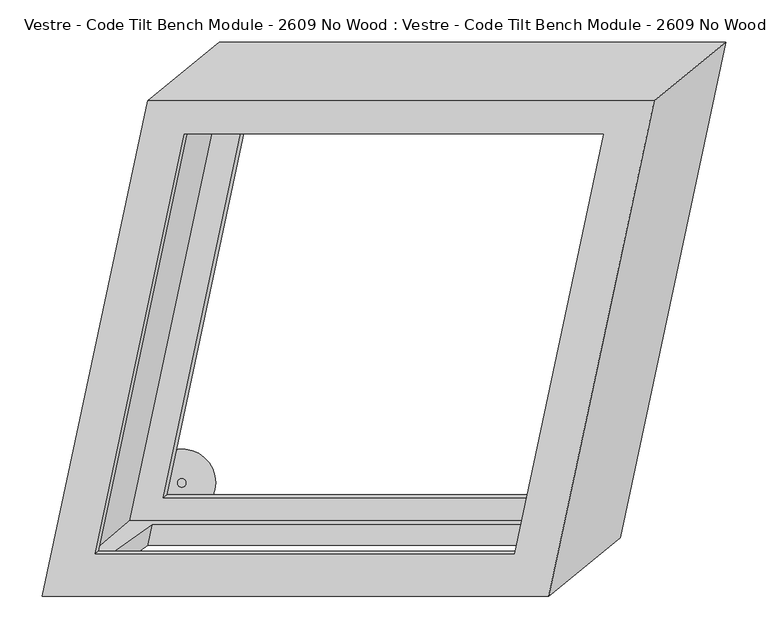
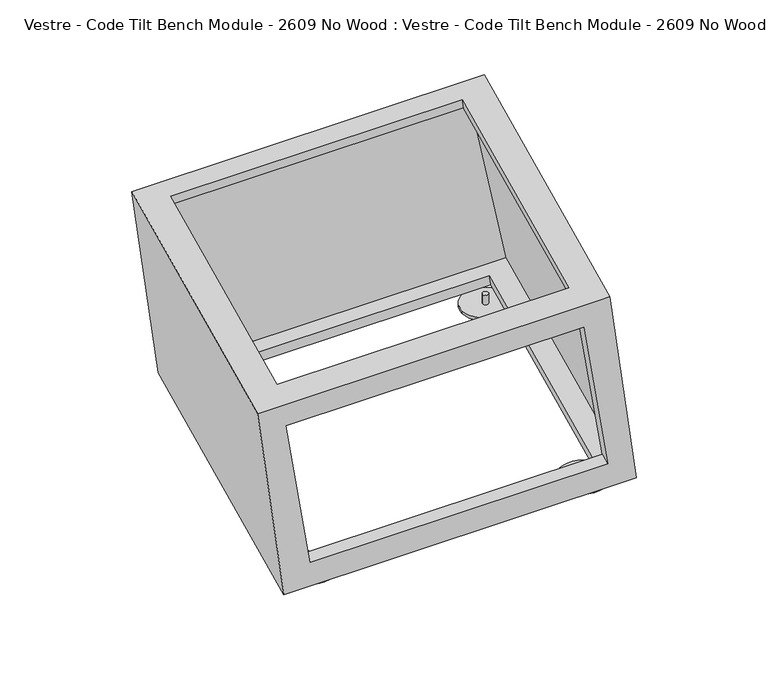
"""IFC4 building model written with IfcOpenShell, lengths in millimetres: furniture geometry, Vestre - Code Tilt Bench Module - 2609 No Wood : Vestre - Code Tilt Bench Module - 2609 No Wood."""

from ifc_helpers import new_model, si_unit, point, frame, frame_2d, origin, origin_with_axes, place, context, project, spatial, circle_curve, trimmed, segment, composite_curve, outline, extrude, faceted_brep, source, transform, mapped, element, save


def vestre_code_tilt_bench_module_2609_no_wood_vestre_code_tilt_8cba3ab6(model_context):
    return source(origin(), model_context, "Body", "SolidModel", [
        extrude(outline(composite_curve([segment(trimmed(circle_curve(frame_2d((-282.0328456, -228.5027868)), 5.0), [point((-287.0328456, -228.5027868))], [point((-277.0328456, -228.5027868))], False, "CARTESIAN"), True, "CONTINUOUS"), segment(trimmed(circle_curve(frame_2d((-282.0328456, -228.5027868)), 5.0), [point((-277.0328456, -228.5027868))], [point((-287.0328456, -228.5027868))], False, "CARTESIAN"), True, "CONTINUOUS")], self_intersect=False)), frame((0.0, 0.0, 5.0), z_axis=(0.0, 0.0, 1.0), x_axis=(1.0, 0.0, 0.0)), (0.0, 0.0, 1.0), 16.8677277),
        extrude(outline(composite_curve([segment(trimmed(circle_curve(frame_2d((184.9661106, -228.5027868)), 5.0), [point((179.9661106, -228.5027868))], [point((189.9661106, -228.5027868))], False, "CARTESIAN"), True, "CONTINUOUS"), segment(trimmed(circle_curve(frame_2d((184.9661106, -228.5027868)), 5.0), [point((189.9661106, -228.5027868))], [point((179.9661106, -228.5027868))], False, "CARTESIAN"), True, "CONTINUOUS")], self_intersect=False)), frame((0.0, 0.0, 5.0), z_axis=(0.0, 0.0, 1.0), x_axis=(1.0, 0.0, 0.0)), (0.0, 0.0, 1.0), 16.8677277),
        extrude(outline(composite_curve([segment(trimmed(circle_curve(frame_2d((282.1707135, 228.4385142)), 5.0), [point((277.1707135, 228.4385142))], [point((287.1707135, 228.4385142))], False, "CARTESIAN"), True, "CONTINUOUS"), segment(trimmed(circle_curve(frame_2d((282.1707135, 228.4385142)), 5.0), [point((287.1707135, 228.4385142))], [point((277.1707135, 228.4385142))], False, "CARTESIAN"), True, "CONTINUOUS")], self_intersect=False)), frame((0.0, 0.0, 5.0), z_axis=(0.0, 0.0, 1.0), x_axis=(1.0, 0.0, 0.0)), (0.0, 0.0, 1.0), 16.8677277),
        extrude(outline(composite_curve([segment(trimmed(circle_curve(frame_2d((-184.8930564, 228.4385142)), 5.0), [point((-189.8930564, 228.4385142))], [point((-179.8930564, 228.4385142))], False, "CARTESIAN"), True, "CONTINUOUS"), segment(trimmed(circle_curve(frame_2d((-184.8930564, 228.4385142)), 5.0), [point((-179.8930564, 228.4385142))], [point((-189.8930564, 228.4385142))], False, "CARTESIAN"), True, "CONTINUOUS")], self_intersect=False)), frame((0.0, 0.0, 5.0), z_axis=(0.0, 0.0, 1.0), x_axis=(1.0, 0.0, 0.0)), (0.0, 0.0, 1.0), 16.8677277),
        faceted_brep([(152.6779909, -362.9784336, 419.8134138), (277.4250054, 223.9101268, 419.8134138), (-322.5749946, 223.9101268, 419.8134138), (-447.3220091, -362.9784336, 419.8134138), (111.5950883, -312.2208839, 419.8134138), (-384.6614061, -312.2208839, 419.8134138), (-279.0561813, 184.6126361, 419.8134138), (217.200313, 184.6126361, 419.8134138), (237.6264928, -293.4442802, 21.8677277), (-362.3735072, -293.4442802, 21.8677277), (-237.6264928, 293.4442802, 21.8677277), (362.3735072, 293.4442802, 21.8677277), (-299.7129042, -242.6867305, 21.8677277), (196.5435902, -242.6867305, 21.8677277), (300.1061699, 244.5369002, 21.8677277), (-196.1503245, 244.5369002, 21.8677277), (-393.776434, -355.103719, 374.7462265), (112.2821604, -355.103719, 374.7462265), (183.8977101, -302.1809189, 71.8677277), (-322.1608844, -302.1809189, 71.8677277), (115.1443609, -309.3156453, 403.1866612), (-381.1121334, -309.3156453, 403.1866612), (-303.7973866, -246.0300623, 41.0016985), (192.4591078, -246.0300623, 41.0016985), (-275.5922534, 187.1163595, 403.1866612), (-200.1365927, 241.6556298, 41.0016985), (220.664241, 187.1163595, 403.1866612), (296.1199017, 241.6556298, 41.0016985), (127.6313712, -332.9707916, 403.1866612), (-414.2091441, -332.9707916, 403.1866612), (-298.365818, 212.0292084, 403.1866612), (243.4746973, 212.0292084, 403.1866612), (225.4868228, -272.8781405, 41.0016985), (340.8394593, 269.8133464, 41.0016985), (-228.3217228, 269.8133464, 41.0016985), (-343.6743593, -272.8781405, 41.0016985), (117.9896611, -328.2520393, 374.7462265), (-388.0689333, -328.2520393, 374.7462265), (-317.0209312, -277.9993402, 71.8677277), (189.0376633, -277.9993402, 71.8677277)], [[[0, 1, 2, 3], [4, 5, 6, 7]], [[8, 9, 10, 11], [12, 13, 14, 15]], [[0, 3, 9, 8], [16, 17, 18, 19]], [[3, 2, 10, 9]], [[2, 1, 11, 10]], [[1, 0, 8, 11]], [[5, 4, 20, 21]], [[13, 12, 22, 23]], [[6, 5, 21, 24]], [[12, 15, 25, 22]], [[7, 6, 24, 26]], [[15, 14, 27, 25]], [[4, 7, 26, 20]], [[14, 13, 23, 27]], [[28, 29, 30, 31], [21, 20, 26, 24]], [[32, 33, 34, 35], [23, 22, 25, 27]], [[29, 28, 32, 35], [36, 37, 38, 39]], [[30, 29, 35, 34]], [[31, 30, 34, 33]], [[28, 31, 33, 32]], [[16, 37, 36, 17]], [[38, 19, 18, 39]], [[37, 16, 19, 38]], [[17, 36, 39, 18]]]),
        extrude(outline(composite_curve([segment(trimmed(circle_curve(frame_2d((-281.9772057, -228.2596966)), 40.0), [point((-321.9772057, -228.2596966))], [point((-241.9772057, -228.2596966))], False, "CARTESIAN"), True, "CONTINUOUS"), segment(trimmed(circle_curve(frame_2d((-281.9772057, -228.2596966)), 40.0), [point((-241.9772057, -228.2596966))], [point((-321.9772057, -228.2596966))], False, "CARTESIAN"), True, "CONTINUOUS")], self_intersect=False)), origin_with_axes(), (0.0, 0.0, 1.0), 5.0),
        extrude(outline(composite_curve([segment(trimmed(circle_curve(frame_2d((185.0217505, -228.2596966)), 40.0), [point((145.0217505, -228.2596966))], [point((225.0217505, -228.2596966))], False, "CARTESIAN"), True, "CONTINUOUS"), segment(trimmed(circle_curve(frame_2d((185.0217505, -228.2596966)), 40.0), [point((225.0217505, -228.2596966))], [point((145.0217505, -228.2596966))], False, "CARTESIAN"), True, "CONTINUOUS")], self_intersect=False)), origin_with_axes(), (0.0, 0.0, 1.0), 5.0),
        extrude(outline(composite_curve([segment(trimmed(circle_curve(frame_2d((282.2263535, 228.6816045)), 40.0), [point((242.2263535, 228.6816045))], [point((322.2263535, 228.6816045))], False, "CARTESIAN"), True, "CONTINUOUS"), segment(trimmed(circle_curve(frame_2d((282.2263535, 228.6816045)), 40.0), [point((322.2263535, 228.6816045))], [point((242.2263535, 228.6816045))], False, "CARTESIAN"), True, "CONTINUOUS")], self_intersect=False)), origin_with_axes(), (0.0, 0.0, 1.0), 5.0),
        extrude(outline(composite_curve([segment(trimmed(circle_curve(frame_2d((-184.8374164, 228.6816045)), 40.0), [point((-224.8374164, 228.6816045))], [point((-144.8374164, 228.6816045))], False, "CARTESIAN"), True, "CONTINUOUS"), segment(trimmed(circle_curve(frame_2d((-184.8374164, 228.6816045)), 40.0), [point((-144.8374164, 228.6816045))], [point((-224.8374164, 228.6816045))], False, "CARTESIAN"), True, "CONTINUOUS")], self_intersect=False)), origin_with_axes(), (0.0, 0.0, 1.0), 5.0),
    ])


if __name__ == "__main__":
    model = new_model("IFC4")
    model_context = context("Model", 3, world=origin())
    ifc_project = project(units=[si_unit("LENGTHUNIT", "METRE", prefix="MILLI")], contexts=[model_context])
    site = spatial("IfcSite", under=ifc_project)
    building = spatial("IfcBuilding", under=site)
    placement = place(None, origin())
    vestre_code_tilt_bench_module_2609_no_wood_vestre_code_tilt_shape = vestre_code_tilt_bench_module_2609_no_wood_vestre_code_tilt_8cba3ab6(model_context)
    element("IfcFurniture", 1, ObjectType="Vestre - Code Tilt Bench Module - 2609 No Wood : Vestre - Code Tilt Bench Module - 2609 No Wood", at=placement, inside=building, context=model_context, shape_type="MappedRepresentation", body=[
        mapped(vestre_code_tilt_bench_module_2609_no_wood_vestre_code_tilt_shape, transform((0.0, 0.0, 0.0), x_axis=(1.0, 0.0, 0.0), y_axis=(0.0, 1.0, 0.0), z_axis=(0.0, 0.0, 1.0))),
    ])
    save(model, "model.ifc")
